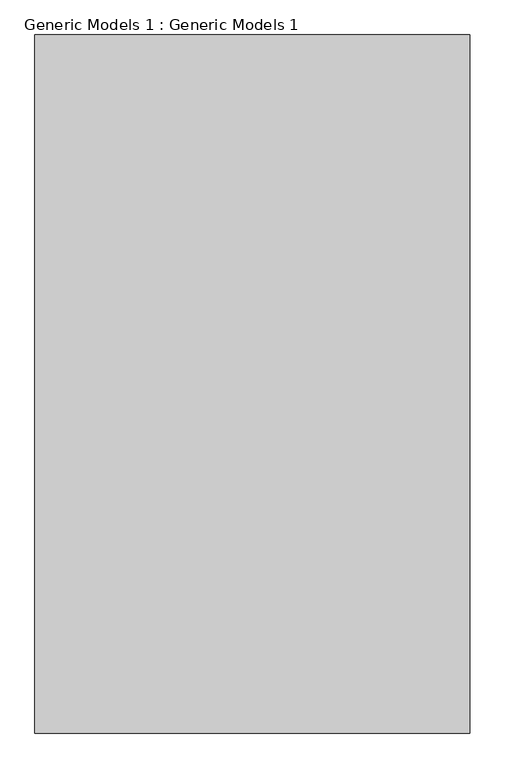
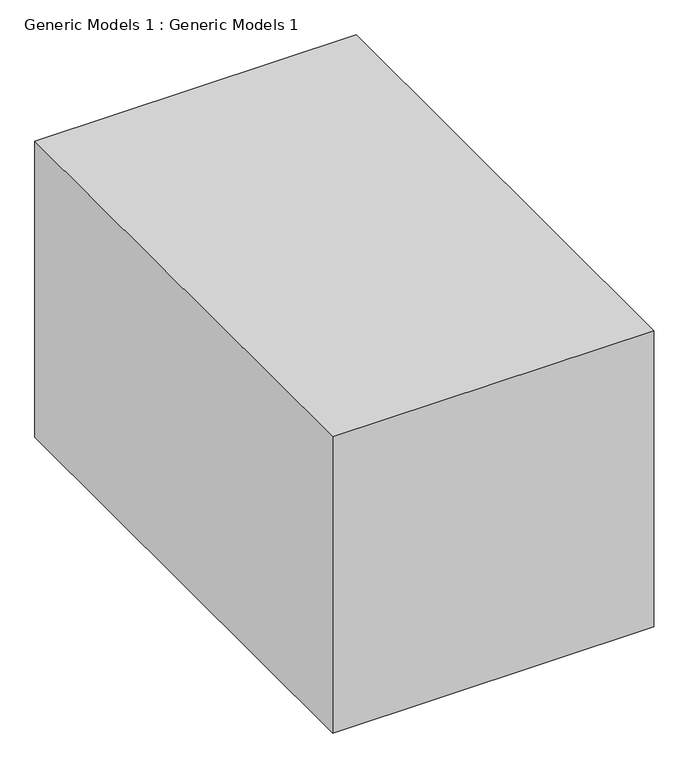
"""IFC4 building model written with IfcOpenShell, lengths in millimetres: proxy geometry, Generic Models 1 : Generic Models 1."""

from ifc_helpers import new_model, si_unit, origin, place, context, project, spatial, faceted_brep, source, transform, mapped, element, save


def generic_models_1_generic_models_1_1631ae36(model_context):
    return source(origin(), model_context, "Body", "Brep", [
        faceted_brep([(-2308.5705466, -3676.0535133, 5600.0), (-8208.5705466, -3676.0535133, 5600.0), (-8208.5705466, -13145.9033011, 5600.0), (-2308.5705466, -13145.9033011, 5600.0), (-2308.5705466, -3676.0535133, -150.114), (-2308.5705466, -13145.9033011, -150.114), (-8208.5705466, -13145.9033011, -150.114), (-8208.5705466, -3676.0535133, -150.114), (-2508.5705466, -3676.0535133, 5500.0), (-8008.5705466, -3676.0535133, 5500.0), (-8008.5705466, -3676.0535133, 0.0), (-2508.5705466, -3676.0535133, 0.0), (-2508.5705466, -12831.1997056, 5500.0), (-8008.5705466, -12831.1997056, 5500.0), (-8008.5705466, -12831.1997056, 0.0), (-2508.5705466, -12831.1997056, 0.0)], [[[0, 1, 2, 3]], [[4, 5, 6, 7]], [[1, 0, 4, 7], [8, 9, 10, 11]], [[2, 1, 7, 6]], [[3, 2, 6, 5]], [[0, 3, 5, 4]], [[8, 12, 13, 9]], [[10, 14, 15, 11]], [[9, 13, 14, 10]], [[13, 12, 15, 14]], [[12, 8, 11, 15]]]),
    ])


if __name__ == "__main__":
    model = new_model("IFC4")
    model_context = context("Model", 3, world=origin())
    ifc_project = project(units=[si_unit("LENGTHUNIT", "METRE", prefix="MILLI")], contexts=[model_context])
    site = spatial("IfcSite", under=ifc_project)
    building = spatial("IfcBuilding", under=site)
    placement = place(None, origin())
    generic_models_1_generic_models_1_shape = generic_models_1_generic_models_1_1631ae36(model_context)
    element("IfcBuildingElementProxy", 1, Name="Generic Models 1 : Generic Models 1", ObjectType="Generic Models 1 : Generic Models 1", at=placement, inside=building, context=model_context, shape_type="MappedRepresentation", body=[
        mapped(generic_models_1_generic_models_1_shape, transform((0.0, 0.0, 0.0), x_axis=(1.0, 0.0, 0.0), y_axis=(0.0, 1.0, 0.0), z_axis=(0.0, 0.0, 1.0))),
    ])
    save(model, "model.ifc")
